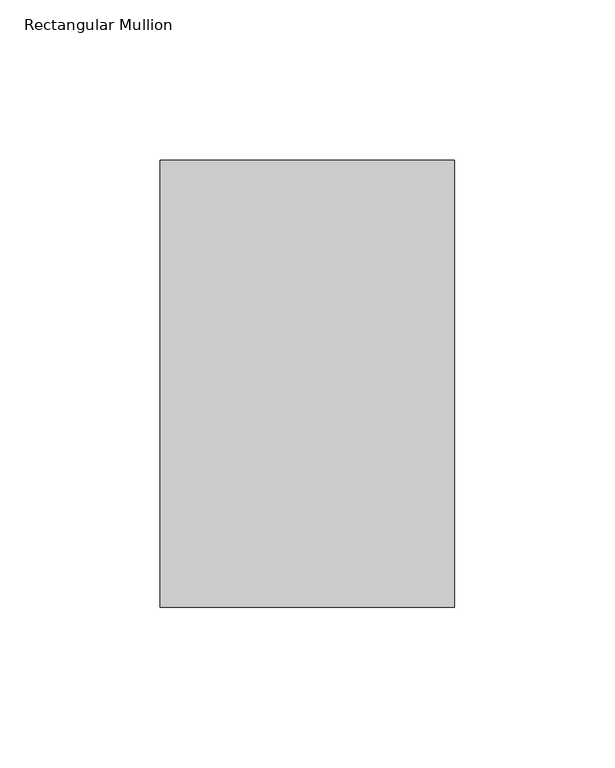
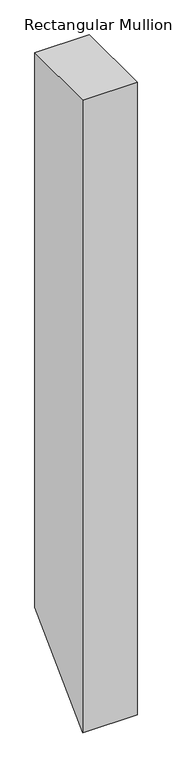
"""IFC4 building model written with IfcOpenShell, lengths in millimetres: member geometry, Rectangular Mullion."""

from ifc_helpers import new_model, si_unit, frame, origin, place, context, project, spatial, polyline, outline, extrude, source, transform, mapped, element, save


def rectangular_mullion_a6bf3a33(model_context):
    return source(origin(), model_context, "Body", "SweptSolid", [
        extrude(outline(polyline([(50.8198168, 0.0), (190.4182179, 0.0), (190.4182179, -991.0127527), (50.8198168, -1130.6111538), (50.8198168, 0.0)])), frame((-92.0626246, 0.0, 0.0), z_axis=(1.0, 0.0, 0.0), x_axis=(0.0, 1.0, 0.0)), (0.0, 0.0, 1.0), 92.0626246),
    ])


if __name__ == "__main__":
    model = new_model("IFC4")
    model_context = context("Model", 3, world=origin())
    ifc_project = project(units=[si_unit("LENGTHUNIT", "METRE", prefix="MILLI")], contexts=[model_context])
    site = spatial("IfcSite", under=ifc_project)
    building = spatial("IfcBuilding", under=site)
    placement = place(None, origin())
    rectangular_mullion_shape = rectangular_mullion_a6bf3a33(model_context)
    element("IfcMember", 1, ObjectType="Rectangular Mullion", at=placement, inside=building, context=model_context, shape_type="MappedRepresentation", body=[
        mapped(rectangular_mullion_shape, transform((0.0, 0.0, 0.0), x_axis=(1.0, 0.0, 0.0), y_axis=(0.0, 1.0, 0.0), z_axis=(0.0, 0.0, 1.0))),
    ])
    save(model, "model.ifc")
